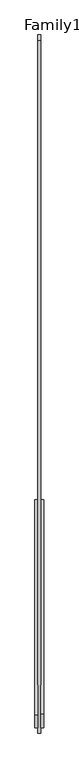
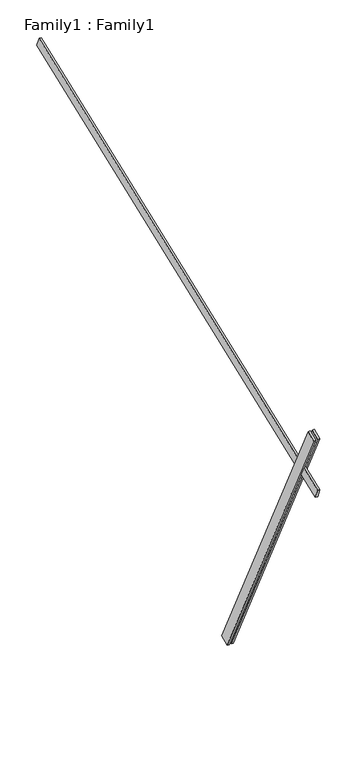
"""IFC4 building model written with IfcOpenShell, lengths in millimetres: proxy geometry, Family1 : Family1."""

from ifc_helpers import new_model, si_unit, frame, origin, place, context, project, spatial, polyline, outline, extrude, source, transform, mapped, element, save


def family1_family1_90c610ef(model_context):
    return source(origin(), model_context, "Body", "SweptSolid", [
        extrude(outline(polyline([(0.0, 0.0), (-100.0000001, 0.0), (-100.0000001, 20.0), (0.0, 20.0), (0.0, 0.0)])), frame((-30.0, -46.3241747, -22.5938096), z_axis=(0.0, -0.4383711467890692, 0.8987940462991711), x_axis=(0.0, -0.8987940462991711, -0.4383711467890692)), (0.0, 0.0, 1.0), 3300.0),
        extrude(outline(polyline([(0.0, 0.0), (-99.9999999, 0.0), (-99.9999999, 20.0), (0.0, 20.0), (0.0, 0.0)])), frame((10.0, -45.270232, -22.0797674), z_axis=(0.0, -0.4383711467890692, 0.8987940462991711), x_axis=(0.0, -0.8987940462991711, -0.4383711467890692)), (0.0, 0.0, 1.0), 3300.0),
        extrude(outline(polyline([(0.0, 20.0), (4999.9999999, 20.0), (4999.9999999, 0.0), (0.0, 0.0), (0.0, 20.0)])), frame((-10.0, 3176.6850523, 4153.6509905), z_axis=(0.0, -0.35836794954530243, 0.933580426497201), x_axis=(0.0, -0.933580426497201, -0.35836794954530243)), (0.0, 0.0, 1.0), 100.0),
    ])


if __name__ == "__main__":
    model = new_model("IFC4")
    model_context = context("Model", 3, world=origin())
    ifc_project = project(units=[si_unit("LENGTHUNIT", "METRE", prefix="MILLI")], contexts=[model_context])
    site = spatial("IfcSite", under=ifc_project)
    building = spatial("IfcBuilding", under=site)
    placement = place(None, origin())
    family1_family1_shape = family1_family1_90c610ef(model_context)
    element("IfcBuildingElementProxy", 1, Name="Family1 : Family1", ObjectType="Family1 : Family1", at=placement, inside=building, context=model_context, shape_type="MappedRepresentation", body=[
        mapped(family1_family1_shape, transform((0.0, 0.0, 0.0), x_axis=(1.0, 0.0, 0.0), y_axis=(0.0, 1.0, 0.0), z_axis=(0.0, 0.0, 1.0))),
    ])
    save(model, "model.ifc")
